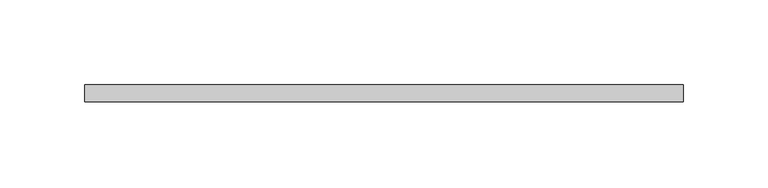
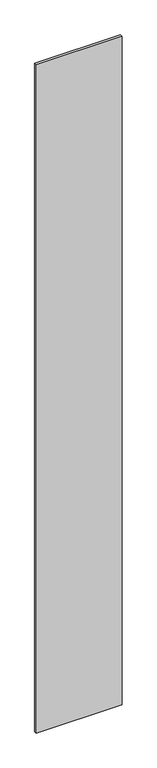
"""IFC4 building model written with IfcOpenShell, lengths in millimetres: plate geometry."""

from ifc_helpers import new_model, si_unit, origin, origin_with_axes, place, context, project, spatial, polyline, outline, extrude, source, transform, mapped, element, save


def plate_488bd90f(model_context):
    return source(origin(), model_context, "Body", "SweptSolid", [
        extrude(outline(polyline([(176.0712115, -5.0), (-176.0712115, -5.0), (-176.0712115, 5.0), (176.0712115, 5.0), (176.0712115, -5.0)])), origin_with_axes(), (0.0, 0.0, 1.0), 2895.0),
    ])


if __name__ == "__main__":
    model = new_model("IFC4")
    model_context = context("Model", 3, world=origin())
    ifc_project = project(units=[si_unit("LENGTHUNIT", "METRE", prefix="MILLI")], contexts=[model_context])
    site = spatial("IfcSite", under=ifc_project)
    building = spatial("IfcBuilding", under=site)
    placement = place(None, origin())
    plate_shape = plate_488bd90f(model_context)
    element("IfcPlate", 1, at=placement, inside=building, context=model_context, shape_type="MappedRepresentation", body=[
        mapped(plate_shape, transform((0.0, 0.0, 0.0), x_axis=(1.0, 0.0, 0.0), y_axis=(0.0, 1.0, 0.0), z_axis=(0.0, 0.0, 1.0))),
    ])
    save(model, "model.ifc")
